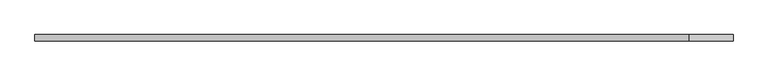
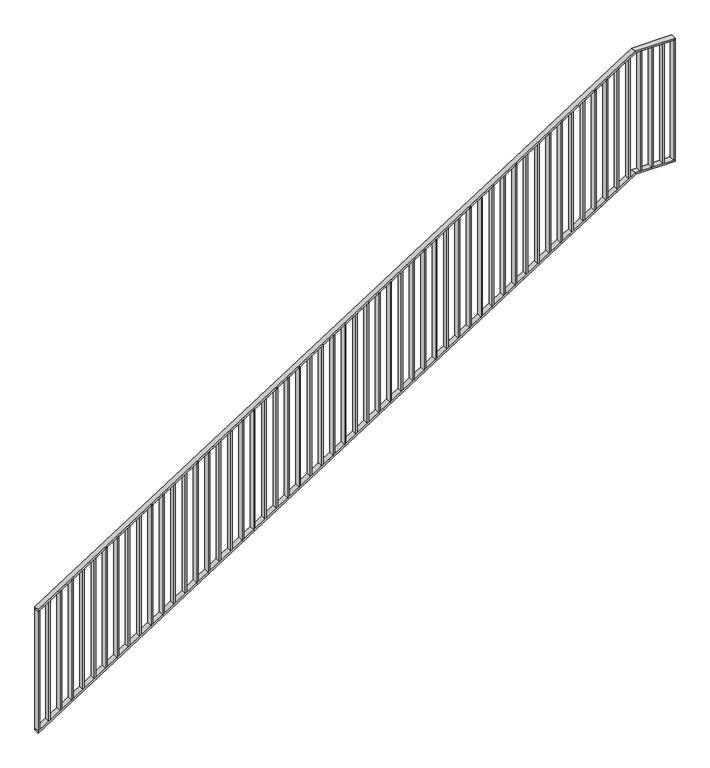
"""IFC4 building model written with IfcOpenShell, lengths in millimetres: railing geometry."""

import ifcopenshell
import ifcopenshell.guid

model = None  # the IFC model being written
_history = None  # IfcOwnerHistory: only IFC2X3 demands one
_inside = {}  # id of a spatial element -> (the spatial element, [elements in it])
_under = {}  # id of a project, library or spatial element -> (it, [spatial elements below it])
_declared = {}  # id of a project -> (the project, [libraries it declares])
_typed = {}  # id of a type object -> (the type object, [elements of that type])
_made_of = {}  # id of a material, layer set ... -> (it, [elements and type objects made of it])


def new_model(schema):
    """Start an empty IFC model of exactly this schema.

    Asked for "IFC4X3", IfcOpenShell would pick the latest addendum, in which some entities
    have other attributes; the version numbers below select the first issue.
    IFC2X3 requires an IfcOwnerHistory on every rooted entity: one is made here for all.
    """
    global model, _history
    if schema == "IFC4X3":
        model = ifcopenshell.file(schema_version=(4, 3, 0, 0))
    else:
        model = ifcopenshell.file(schema=schema)
    _inside.clear()
    _under.clear()
    _declared.clear()
    _typed.clear()
    _made_of.clear()
    _history = None
    if model.schema == "IFC2X3":
        org = make("IfcOrganization", Name="unknown")
        user = make(
            "IfcPersonAndOrganization",
            ThePerson=make("IfcPerson", FamilyName="unknown"),
            TheOrganization=org,
        )
        app = make(
            "IfcApplication",
            ApplicationDeveloper=org,
            Version="unknown",
            ApplicationFullName="unknown",
            ApplicationIdentifier="unknown",
        )
        _history = make(
            "IfcOwnerHistory",
            OwningUser=user,
            OwningApplication=app,
            ChangeAction="ADDED",
            CreationDate=0,
        )
    return model


def make(cls, **values):
    """One entity of the class cls with the attributes given. An attribute that is None is left unset."""
    return model.create_entity(
        cls, **{name: value for name, value in values.items() if value is not None}
    )


def rooted(cls, **values):
    """An entity with a GlobalId (a new one), such as an element, a storey or a relation."""
    return make(cls, GlobalId=ifcopenshell.guid.new(), OwnerHistory=_history, **values)


def si_unit(unit_type, name, prefix=None):
    """IfcSIUnit, for example si_unit("LENGTHUNIT", "METRE", prefix="MILLI")."""
    return make("IfcSIUnit", UnitType=unit_type, Prefix=prefix, Name=name)


def assignment(units):
    """IfcUnitAssignment: the units of a project."""
    return None if units is None else make("IfcUnitAssignment", Units=units)


def point(xyz):
    """IfcCartesianPoint."""
    return None if xyz is None else make("IfcCartesianPoint", Coordinates=xyz)


def direction(xyz):
    """IfcDirection."""
    return None if xyz is None else make("IfcDirection", DirectionRatios=xyz)


def frame(location, z_axis=None, x_axis=None):
    """IfcAxis2Placement3D, a coordinate frame: its origin and axes. An axis left out is left unset."""
    return make(
        "IfcAxis2Placement3D",
        Location=point(location),
        Axis=direction(z_axis),
        RefDirection=direction(x_axis),
    )


def origin():
    """The frame at (0, 0, 0) with its axes left unset."""
    return frame((0.0, 0.0, 0.0))


def place(relative_to, where):
    """IfcLocalPlacement: puts the frame where relative to a parent placement (None: the world)."""
    return make(
        "IfcLocalPlacement", PlacementRelTo=relative_to, RelativePlacement=where
    )


def context(
    kind, dimensions, precision=None, world=None, true_north=None, identifier=None
):
    """IfcGeometricRepresentationContext, for example the 3D "Model" context."""
    return make(
        "IfcGeometricRepresentationContext",
        ContextIdentifier=identifier,
        ContextType=kind,
        CoordinateSpaceDimension=dimensions,
        Precision=precision,
        WorldCoordinateSystem=world,
        TrueNorth=true_north,
    )


def project(units=None, contexts=None):
    """IfcProject with its units and contexts."""
    return rooted(
        "IfcProject",
        Name="project",
        RepresentationContexts=contexts,
        UnitsInContext=assignment(units),
    )


def spatial(cls, under=None, at=None, **own):
    """A site, building, storey or space (cls), placed at a placement, below another one or the project."""
    s = rooted(cls, ObjectPlacement=at, **own)
    if under is not None:
        _under.setdefault(under.id(), (under, []))[1].append(s)
    return s


def polyline(points):
    """IfcPolyline through the points."""
    return make("IfcPolyline", Points=[point(p) for p in points])


def outline(outer, holes=None, kind="AREA"):
    """IfcArbitraryClosedProfileDef: a profile drawn as a closed curve; with holes, ...WithVoids."""
    if holes is None:
        return make("IfcArbitraryClosedProfileDef", ProfileType=kind, OuterCurve=outer)
    return make(
        "IfcArbitraryProfileDefWithVoids",
        ProfileType=kind,
        OuterCurve=outer,
        InnerCurves=holes,
    )


def extrude(swept, where, along, depth):
    """IfcExtrudedAreaSolid: the profile swept, set in the frame where, extruded along a direction by depth."""
    return make(
        "IfcExtrudedAreaSolid",
        SweptArea=swept,
        Position=where,
        ExtrudedDirection=direction(along),
        Depth=depth,
    )


def faces_of(points, faces, orient=None, outer=None):
    """IfcFace entities. A face is a list of loops; a loop is a list of indices into points, from 0.

    orient and outer hold one flag for each loop. By default every Orientation is true, the
    first loop of a face is its IfcFaceOuterBound and the others are IfcFaceBound.
    """
    made = []
    for i, loops in enumerate(faces):
        bounds = []
        for j, loop in enumerate(loops):
            is_outer = j == 0 if outer is None else outer[i][j]
            bounds.append(
                make(
                    "IfcFaceOuterBound" if is_outer else "IfcFaceBound",
                    Bound=make("IfcPolyLoop", Polygon=[points[k] for k in loop]),
                    Orientation=True if orient is None else orient[i][j],
                )
            )
        made.append(make("IfcFace", Bounds=bounds))
    return made


def faceted_brep(points, faces, orient=None, outer=None, voids=None):
    """IfcFacetedBrep: a solid bounded by flat faces; with voids (closed shells), ...WithVoids."""
    shared = [point(p) for p in points]
    hull = make("IfcClosedShell", CfsFaces=faces_of(shared, faces, orient, outer))
    if voids is None:
        return make("IfcFacetedBrep", Outer=hull)
    return make(
        "IfcFacetedBrepWithVoids",
        Outer=hull,
        Voids=[
            make(cls, CfsFaces=faces_of(shared, fs, o, b)) for cls, fs, o, b in voids
        ],
    )


def shape(context_of_items, identifier, shape_type, items):
    """IfcShapeRepresentation: the items that make up one representation, for example the "Body"."""
    return make(
        "IfcShapeRepresentation",
        ContextOfItems=context_of_items,
        RepresentationIdentifier=identifier,
        RepresentationType=shape_type,
        Items=items,
    )


def source(mapping_origin, context_of_items, identifier, shape_type, items):
    """IfcRepresentationMap: a shape defined once, which mapped items show again and again."""
    return make(
        "IfcRepresentationMap",
        MappingOrigin=mapping_origin,
        MappedRepresentation=shape(context_of_items, identifier, shape_type, items),
    )


def transform(
    local_origin,
    x_axis=None,
    y_axis=None,
    z_axis=None,
    scale=None,
    scale2=None,
    scale3=None,
    uniform=True,
):
    """IfcCartesianTransformationOperator3D, or its non-uniform kind. x_axis, y_axis, z_axis: its Axis1, 2, 3."""
    if uniform:
        return make(
            "IfcCartesianTransformationOperator3D",
            Axis1=direction(x_axis),
            Axis2=direction(y_axis),
            LocalOrigin=point(local_origin),
            Scale=scale,
            Axis3=direction(z_axis),
        )
    return make(
        "IfcCartesianTransformationOperator3DnonUniform",
        Axis1=direction(x_axis),
        Axis2=direction(y_axis),
        LocalOrigin=point(local_origin),
        Scale=scale,
        Axis3=direction(z_axis),
        Scale2=scale2,
        Scale3=scale3,
    )


def mapped(mapping_source, mapping_target):
    """IfcMappedItem: shows the shape of a source again, moved by a transform."""
    return make(
        "IfcMappedItem", MappingSource=mapping_source, MappingTarget=mapping_target
    )


def made_of(thing, what):
    """Note that an element or type object is made of a material, layer set ...; save() writes the relation."""
    if what is not None:
        _made_of.setdefault(what.id(), (what, []))[1].append(thing)
    return thing


def element(
    cls,
    number,
    at=None,
    inside=None,
    cuts=None,
    type_object=None,
    material=None,
    context=None,
    identifier="Body",
    shape_type=None,
    held_by="IfcProductDefinitionShape",
    body=None,
    shapes=None,
    **own,
):
    """One element of the class cls, such as IfcWall. Its Tag is "e" and its number.

    at: its placement. inside: the storey or other place that contains it. cuts: it is an
    opening in that element (IfcRelVoidsElement). A single representation is given by context,
    identifier, shape_type and body (its items); several are given by shapes. held_by: the class
    of the entity that holds the representations. save() writes the other relations.
    """
    e = rooted(cls, Tag="e%d" % number, ObjectPlacement=at, **own)
    if body is not None:
        shapes = [shape(context, identifier, shape_type, body)]
    if shapes is not None:
        e.Representation = make(held_by, Representations=shapes)
    if inside is not None:
        _inside.setdefault(inside.id(), (inside, []))[1].append(e)
    if cuts is not None:
        rooted(
            "IfcRelVoidsElement", RelatingBuildingElement=cuts, RelatedOpeningElement=e
        )
    if type_object is not None:
        _typed.setdefault(type_object.id(), (type_object, []))[1].append(e)
    return made_of(e, material)


def aggregate(whole, parts):
    """IfcRelAggregates: a whole, such as a stair, and the parts it consists of."""
    return rooted("IfcRelAggregates", RelatingObject=whole, RelatedObjects=parts)


def save(model, path):
    """Write the relations noted so far, then the file.

    IfcRelAggregates (storeys below a building ...), IfcRelContainedInSpatialStructure (elements
    in a storey), IfcRelDefinesByType, IfcRelAssociatesMaterial and IfcRelDeclares: one each for
    every whole, place, type object, material and project.
    """
    for whole, parts in _under.values():
        aggregate(whole, parts)
    for where, things in _inside.values():
        rooted(
            "IfcRelContainedInSpatialStructure",
            RelatedElements=things,
            RelatingStructure=where,
        )
    for kind, things in _typed.values():
        rooted("IfcRelDefinesByType", RelatedObjects=things, RelatingType=kind)
    for what, things in _made_of.values():
        rooted("IfcRelAssociatesMaterial", RelatedObjects=things, RelatingMaterial=what)
    for by, libraries in _declared.values():
        rooted("IfcRelDeclares", RelatingContext=by, RelatedDefinitions=libraries)
    model.write(path)


def railing_4086d96a(model_context):
    return source(origin(), model_context, "Body", "SolidModel", [
        faceted_brep([(10020.0, 1014.6, 1178.125), (10020.0, 1014.6, 1166.2576574), (10020.0, 974.6, 1166.2576574), (10020.0, 974.6, 1178.125), (14201.25, 1014.6, 3850.0), (14204.1722273, 1014.6, 3840.0), (14204.1722273, 974.6, 3840.0), (14201.25, 974.6, 3850.0), (14480.0, 1014.6, 3850.0), (14480.0, 974.6, 3850.0), (14480.0, 974.6, 3840.0), (14480.0, 1014.6, 3840.0)], [[[0, 1, 2, 3]], [[1, 0, 4, 5]], [[2, 1, 5, 6]], [[3, 2, 6, 7]], [[0, 3, 7, 4]], [[8, 9, 10, 11]], [[5, 4, 8, 11]], [[6, 5, 11, 10]], [[7, 6, 10, 9]], [[4, 7, 9, 8]]]),
        faceted_brep([(10020.0, 1014.6, 278.125), (10020.0, 1014.6, 266.2576574), (10020.0, 974.6, 266.2576574), (10020.0, 974.6, 278.125), (14201.25, 1014.6, 2950.0), (14204.1722273, 1014.6, 2940.0), (14204.1722273, 974.6, 2940.0), (14201.25, 974.6, 2950.0), (14480.0, 1014.6, 2950.0), (14480.0, 974.6, 2950.0), (14480.0, 974.6, 2940.0), (14480.0, 1014.6, 2940.0)], [[[0, 1, 2, 3]], [[1, 0, 4, 5]], [[2, 1, 5, 6]], [[3, 2, 6, 7]], [[0, 3, 7, 4]], [[8, 9, 10, 11]], [[5, 4, 8, 11]], [[6, 5, 11, 10]], [[7, 6, 10, 9]], [[4, 7, 9, 8]]]),
        extrude(outline(polyline([(14395.3571429, 1014.6), (14405.3571429, 1014.6), (14405.3571429, 974.6), (14395.3571429, 974.6), (14395.3571429, 1014.6)])), frame((0.0, 0.0, 2950.0), z_axis=(0.0, 0.0, 1.0), x_axis=(1.0, 0.0, 0.0)), (0.0, 0.0, 1.0), 890.0),
        extrude(outline(polyline([(14315.7142857, 1014.6), (14325.7142857, 1014.6), (14325.7142857, 974.6), (14315.7142857, 974.6), (14315.7142857, 1014.6)])), frame((0.0, 0.0, 2950.0), z_axis=(0.0, 0.0, 1.0), x_axis=(1.0, 0.0, 0.0)), (0.0, 0.0, 1.0), 890.0),
        extrude(outline(polyline([(14236.0714286, 1014.6), (14246.0714286, 1014.6), (14246.0714286, 974.6), (14236.0714286, 974.6), (14236.0714286, 1014.6)])), frame((0.0, 0.0, 2950.0), z_axis=(0.0, 0.0, 1.0), x_axis=(1.0, 0.0, 0.0)), (0.0, 0.0, 1.0), 890.0),
        extrude(outline(polyline([(2921.3585042, 14156.4285714), (2927.7486387, 14166.4285714), (3817.7486387, 14166.4285714), (3811.3585042, 14156.4285714), (2921.3585042, 14156.4285714)])), frame((0.0, 974.6, 0.0), z_axis=(0.0, 1.0, 0.0), x_axis=(0.0, 0.0, 1.0)), (0.0, 0.0, 1.0), 40.0),
        extrude(outline(polyline([(2870.465647, 14076.7857143), (2876.8557816, 14086.7857143), (3766.8557816, 14086.7857143), (3760.465647, 14076.7857143), (2870.465647, 14076.7857143)])), frame((0.0, 974.6, 0.0), z_axis=(0.0, 1.0, 0.0), x_axis=(0.0, 0.0, 1.0)), (0.0, 0.0, 1.0), 40.0),
        extrude(outline(polyline([(2819.5727899, 13997.1428571), (2825.9629244, 14007.1428571), (3715.9629244, 14007.1428571), (3709.5727899, 13997.1428571), (2819.5727899, 13997.1428571)])), frame((0.0, 974.6, 0.0), z_axis=(0.0, 1.0, 0.0), x_axis=(0.0, 0.0, 1.0)), (0.0, 0.0, 1.0), 40.0),
        extrude(outline(polyline([(2768.6799327, 13917.5), (2775.0700673, 13927.5), (3665.0700673, 13927.5), (3658.6799327, 13917.5), (2768.6799327, 13917.5)])), frame((0.0, 974.6, 0.0), z_axis=(0.0, 1.0, 0.0), x_axis=(0.0, 0.0, 1.0)), (0.0, 0.0, 1.0), 40.0),
        extrude(outline(polyline([(2717.7870756, 13837.8571429), (2724.1772101, 13847.8571429), (3614.1772101, 13847.8571429), (3607.7870756, 13837.8571429), (2717.7870756, 13837.8571429)])), frame((0.0, 974.6, 0.0), z_axis=(0.0, 1.0, 0.0), x_axis=(0.0, 0.0, 1.0)), (0.0, 0.0, 1.0), 40.0),
        extrude(outline(polyline([(2666.8942184, 13758.2142857), (2673.284353, 13768.2142857), (3563.284353, 13768.2142857), (3556.8942184, 13758.2142857), (2666.8942184, 13758.2142857)])), frame((0.0, 974.6, 0.0), z_axis=(0.0, 1.0, 0.0), x_axis=(0.0, 0.0, 1.0)), (0.0, 0.0, 1.0), 40.0),
        extrude(outline(polyline([(2616.0013613, 13678.5714286), (2622.3914958, 13688.5714286), (3512.3914958, 13688.5714286), (3506.0013613, 13678.5714286), (2616.0013613, 13678.5714286)])), frame((0.0, 974.6, 0.0), z_axis=(0.0, 1.0, 0.0), x_axis=(0.0, 0.0, 1.0)), (0.0, 0.0, 1.0), 40.0),
        extrude(outline(polyline([(2565.1085042, 13598.9285714), (2571.4986387, 13608.9285714), (3461.4986387, 13608.9285714), (3455.1085042, 13598.9285714), (2565.1085042, 13598.9285714)])), frame((0.0, 974.6, 0.0), z_axis=(0.0, 1.0, 0.0), x_axis=(0.0, 0.0, 1.0)), (0.0, 0.0, 1.0), 40.0),
        extrude(outline(polyline([(2514.215647, 13519.2857143), (2520.6057816, 13529.2857143), (3410.6057816, 13529.2857143), (3404.215647, 13519.2857143), (2514.215647, 13519.2857143)])), frame((0.0, 974.6, 0.0), z_axis=(0.0, 1.0, 0.0), x_axis=(0.0, 0.0, 1.0)), (0.0, 0.0, 1.0), 40.0),
        extrude(outline(polyline([(2463.3227899, 13439.6428571), (2469.7129244, 13449.6428571), (3359.7129244, 13449.6428571), (3353.3227899, 13439.6428571), (2463.3227899, 13439.6428571)])), frame((0.0, 974.6, 0.0), z_axis=(0.0, 1.0, 0.0), x_axis=(0.0, 0.0, 1.0)), (0.0, 0.0, 1.0), 40.0),
        extrude(outline(polyline([(2412.4299327, 13360.0), (2418.8200673, 13370.0), (3308.8200673, 13370.0), (3302.4299327, 13360.0), (2412.4299327, 13360.0)])), frame((0.0, 974.6, 0.0), z_axis=(0.0, 1.0, 0.0), x_axis=(0.0, 0.0, 1.0)), (0.0, 0.0, 1.0), 40.0),
        extrude(outline(polyline([(2361.5370756, 13280.3571429), (2367.9272101, 13290.3571429), (3257.9272101, 13290.3571429), (3251.5370756, 13280.3571429), (2361.5370756, 13280.3571429)])), frame((0.0, 974.6, 0.0), z_axis=(0.0, 1.0, 0.0), x_axis=(0.0, 0.0, 1.0)), (0.0, 0.0, 1.0), 40.0),
        extrude(outline(polyline([(2310.6442184, 13200.7142857), (2317.034353, 13210.7142857), (3207.034353, 13210.7142857), (3200.6442184, 13200.7142857), (2310.6442184, 13200.7142857)])), frame((0.0, 974.6, 0.0), z_axis=(0.0, 1.0, 0.0), x_axis=(0.0, 0.0, 1.0)), (0.0, 0.0, 1.0), 40.0),
        extrude(outline(polyline([(2259.7513613, 13121.0714286), (2266.1414958, 13131.0714286), (3156.1414958, 13131.0714286), (3149.7513613, 13121.0714286), (2259.7513613, 13121.0714286)])), frame((0.0, 974.6, 0.0), z_axis=(0.0, 1.0, 0.0), x_axis=(0.0, 0.0, 1.0)), (0.0, 0.0, 1.0), 40.0),
        extrude(outline(polyline([(2208.8585042, 13041.4285714), (2215.2486387, 13051.4285714), (3105.2486387, 13051.4285714), (3098.8585042, 13041.4285714), (2208.8585042, 13041.4285714)])), frame((0.0, 974.6, 0.0), z_axis=(0.0, 1.0, 0.0), x_axis=(0.0, 0.0, 1.0)), (0.0, 0.0, 1.0), 40.0),
        extrude(outline(polyline([(2157.965647, 12961.7857143), (2164.3557816, 12971.7857143), (3054.3557816, 12971.7857143), (3047.965647, 12961.7857143), (2157.965647, 12961.7857143)])), frame((0.0, 974.6, 0.0), z_axis=(0.0, 1.0, 0.0), x_axis=(0.0, 0.0, 1.0)), (0.0, 0.0, 1.0), 40.0),
        extrude(outline(polyline([(2107.0727899, 12882.1428571), (2113.4629244, 12892.1428571), (3003.4629244, 12892.1428571), (2997.0727899, 12882.1428571), (2107.0727899, 12882.1428571)])), frame((0.0, 974.6, 0.0), z_axis=(0.0, 1.0, 0.0), x_axis=(0.0, 0.0, 1.0)), (0.0, 0.0, 1.0), 40.0),
        extrude(outline(polyline([(2056.1799327, 12802.5), (2062.5700673, 12812.5), (2952.5700673, 12812.5), (2946.1799327, 12802.5), (2056.1799327, 12802.5)])), frame((0.0, 974.6, 0.0), z_axis=(0.0, 1.0, 0.0), x_axis=(0.0, 0.0, 1.0)), (0.0, 0.0, 1.0), 40.0),
        extrude(outline(polyline([(2005.2870756, 12722.8571429), (2011.6772101, 12732.8571429), (2901.6772101, 12732.8571429), (2895.2870756, 12722.8571429), (2005.2870756, 12722.8571429)])), frame((0.0, 974.6, 0.0), z_axis=(0.0, 1.0, 0.0), x_axis=(0.0, 0.0, 1.0)), (0.0, 0.0, 1.0), 40.0),
        extrude(outline(polyline([(1954.3942184, 12643.2142857), (1960.784353, 12653.2142857), (2850.784353, 12653.2142857), (2844.3942184, 12643.2142857), (1954.3942184, 12643.2142857)])), frame((0.0, 974.6, 0.0), z_axis=(0.0, 1.0, 0.0), x_axis=(0.0, 0.0, 1.0)), (0.0, 0.0, 1.0), 40.0),
        extrude(outline(polyline([(1903.5013613, 12563.5714286), (1909.8914958, 12573.5714286), (2799.8914958, 12573.5714286), (2793.5013613, 12563.5714286), (1903.5013613, 12563.5714286)])), frame((0.0, 974.6, 0.0), z_axis=(0.0, 1.0, 0.0), x_axis=(0.0, 0.0, 1.0)), (0.0, 0.0, 1.0), 40.0),
        extrude(outline(polyline([(1852.6085042, 12483.9285714), (1858.9986387, 12493.9285714), (2748.9986387, 12493.9285714), (2742.6085042, 12483.9285714), (1852.6085042, 12483.9285714)])), frame((0.0, 974.6, 0.0), z_axis=(0.0, 1.0, 0.0), x_axis=(0.0, 0.0, 1.0)), (0.0, 0.0, 1.0), 40.0),
        extrude(outline(polyline([(1801.715647, 12404.2857143), (1808.1057816, 12414.2857143), (2698.1057816, 12414.2857143), (2691.715647, 12404.2857143), (1801.715647, 12404.2857143)])), frame((0.0, 974.6, 0.0), z_axis=(0.0, 1.0, 0.0), x_axis=(0.0, 0.0, 1.0)), (0.0, 0.0, 1.0), 40.0),
        extrude(outline(polyline([(1750.8227899, 12324.6428571), (1757.2129244, 12334.6428571), (2647.2129244, 12334.6428571), (2640.8227899, 12324.6428571), (1750.8227899, 12324.6428571)])), frame((0.0, 974.6, 0.0), z_axis=(0.0, 1.0, 0.0), x_axis=(0.0, 0.0, 1.0)), (0.0, 0.0, 1.0), 40.0),
        extrude(outline(polyline([(1699.9299327, 12245.0), (1706.3200673, 12255.0), (2596.3200673, 12255.0), (2589.9299327, 12245.0), (1699.9299327, 12245.0)])), frame((0.0, 974.6, 0.0), z_axis=(0.0, 1.0, 0.0), x_axis=(0.0, 0.0, 1.0)), (0.0, 0.0, 1.0), 40.0),
        extrude(outline(polyline([(1649.0370756, 12165.3571429), (1655.4272101, 12175.3571429), (2545.4272101, 12175.3571429), (2539.0370756, 12165.3571429), (1649.0370756, 12165.3571429)])), frame((0.0, 974.6, 0.0), z_axis=(0.0, 1.0, 0.0), x_axis=(0.0, 0.0, 1.0)), (0.0, 0.0, 1.0), 40.0),
        extrude(outline(polyline([(1598.1442184, 12085.7142857), (1604.534353, 12095.7142857), (2494.534353, 12095.7142857), (2488.1442184, 12085.7142857), (1598.1442184, 12085.7142857)])), frame((0.0, 974.6, 0.0), z_axis=(0.0, 1.0, 0.0), x_axis=(0.0, 0.0, 1.0)), (0.0, 0.0, 1.0), 40.0),
        extrude(outline(polyline([(1547.2513613, 12006.0714286), (1553.6414958, 12016.0714286), (2443.6414958, 12016.0714286), (2437.2513613, 12006.0714286), (1547.2513613, 12006.0714286)])), frame((0.0, 974.6, 0.0), z_axis=(0.0, 1.0, 0.0), x_axis=(0.0, 0.0, 1.0)), (0.0, 0.0, 1.0), 40.0),
        extrude(outline(polyline([(1496.3585042, 11926.4285714), (1502.7486387, 11936.4285714), (2392.7486387, 11936.4285714), (2386.3585042, 11926.4285714), (1496.3585042, 11926.4285714)])), frame((0.0, 974.6, 0.0), z_axis=(0.0, 1.0, 0.0), x_axis=(0.0, 0.0, 1.0)), (0.0, 0.0, 1.0), 40.0),
        extrude(outline(polyline([(1445.465647, 11846.7857143), (1451.8557816, 11856.7857143), (2341.8557816, 11856.7857143), (2335.465647, 11846.7857143), (1445.465647, 11846.7857143)])), frame((0.0, 974.6, 0.0), z_axis=(0.0, 1.0, 0.0), x_axis=(0.0, 0.0, 1.0)), (0.0, 0.0, 1.0), 40.0),
        extrude(outline(polyline([(1394.5727899, 11767.1428571), (1400.9629244, 11777.1428571), (2290.9629244, 11777.1428571), (2284.5727899, 11767.1428571), (1394.5727899, 11767.1428571)])), frame((0.0, 974.6, 0.0), z_axis=(0.0, 1.0, 0.0), x_axis=(0.0, 0.0, 1.0)), (0.0, 0.0, 1.0), 40.0),
        extrude(outline(polyline([(1343.6799327, 11687.5), (1350.0700673, 11697.5), (2240.0700673, 11697.5), (2233.6799327, 11687.5), (1343.6799327, 11687.5)])), frame((0.0, 974.6, 0.0), z_axis=(0.0, 1.0, 0.0), x_axis=(0.0, 0.0, 1.0)), (0.0, 0.0, 1.0), 40.0),
        extrude(outline(polyline([(1292.7870756, 11607.8571429), (1299.1772101, 11617.8571429), (2189.1772101, 11617.8571429), (2182.7870756, 11607.8571429), (1292.7870756, 11607.8571429)])), frame((0.0, 974.6, 0.0), z_axis=(0.0, 1.0, 0.0), x_axis=(0.0, 0.0, 1.0)), (0.0, 0.0, 1.0), 40.0),
        extrude(outline(polyline([(1241.8942184, 11528.2142857), (1248.284353, 11538.2142857), (2138.284353, 11538.2142857), (2131.8942184, 11528.2142857), (1241.8942184, 11528.2142857)])), frame((0.0, 974.6, 0.0), z_axis=(0.0, 1.0, 0.0), x_axis=(0.0, 0.0, 1.0)), (0.0, 0.0, 1.0), 40.0),
        extrude(outline(polyline([(1191.0013613, 11448.5714286), (1197.3914958, 11458.5714286), (2087.3914958, 11458.5714286), (2081.0013613, 11448.5714286), (1191.0013613, 11448.5714286)])), frame((0.0, 974.6, 0.0), z_axis=(0.0, 1.0, 0.0), x_axis=(0.0, 0.0, 1.0)), (0.0, 0.0, 1.0), 40.0),
        extrude(outline(polyline([(1140.1085042, 11368.9285714), (1146.4986387, 11378.9285714), (2036.4986387, 11378.9285714), (2030.1085042, 11368.9285714), (1140.1085042, 11368.9285714)])), frame((0.0, 974.6, 0.0), z_axis=(0.0, 1.0, 0.0), x_axis=(0.0, 0.0, 1.0)), (0.0, 0.0, 1.0), 40.0),
        extrude(outline(polyline([(1089.215647, 11289.2857143), (1095.6057816, 11299.2857143), (1985.6057816, 11299.2857143), (1979.215647, 11289.2857143), (1089.215647, 11289.2857143)])), frame((0.0, 974.6, 0.0), z_axis=(0.0, 1.0, 0.0), x_axis=(0.0, 0.0, 1.0)), (0.0, 0.0, 1.0), 40.0),
        extrude(outline(polyline([(1038.3227899, 11209.6428571), (1044.7129244, 11219.6428571), (1934.7129244, 11219.6428571), (1928.3227899, 11209.6428571), (1038.3227899, 11209.6428571)])), frame((0.0, 974.6, 0.0), z_axis=(0.0, 1.0, 0.0), x_axis=(0.0, 0.0, 1.0)), (0.0, 0.0, 1.0), 40.0),
        extrude(outline(polyline([(987.4299327, 11130.0), (993.8200673, 11140.0), (1883.8200673, 11140.0), (1877.4299327, 11130.0), (987.4299327, 11130.0)])), frame((0.0, 974.6, 0.0), z_axis=(0.0, 1.0, 0.0), x_axis=(0.0, 0.0, 1.0)), (0.0, 0.0, 1.0), 40.0),
        extrude(outline(polyline([(936.5370756, 11050.3571429), (942.9272101, 11060.3571429), (1832.9272101, 11060.3571429), (1826.5370756, 11050.3571429), (936.5370756, 11050.3571429)])), frame((0.0, 974.6, 0.0), z_axis=(0.0, 1.0, 0.0), x_axis=(0.0, 0.0, 1.0)), (0.0, 0.0, 1.0), 40.0),
        extrude(outline(polyline([(885.6442184, 10970.7142857), (892.034353, 10980.7142857), (1782.034353, 10980.7142857), (1775.6442184, 10970.7142857), (885.6442184, 10970.7142857)])), frame((0.0, 974.6, 0.0), z_axis=(0.0, 1.0, 0.0), x_axis=(0.0, 0.0, 1.0)), (0.0, 0.0, 1.0), 40.0),
        extrude(outline(polyline([(834.7513613, 10891.0714286), (841.1414958, 10901.0714286), (1731.1414958, 10901.0714286), (1724.7513613, 10891.0714286), (834.7513613, 10891.0714286)])), frame((0.0, 974.6, 0.0), z_axis=(0.0, 1.0, 0.0), x_axis=(0.0, 0.0, 1.0)), (0.0, 0.0, 1.0), 40.0),
        extrude(outline(polyline([(783.8585042, 10811.4285714), (790.2486387, 10821.4285714), (1680.2486387, 10821.4285714), (1673.8585042, 10811.4285714), (783.8585042, 10811.4285714)])), frame((0.0, 974.6, 0.0), z_axis=(0.0, 1.0, 0.0), x_axis=(0.0, 0.0, 1.0)), (0.0, 0.0, 1.0), 40.0),
        extrude(outline(polyline([(732.965647, 10731.7857143), (739.3557816, 10741.7857143), (1629.3557816, 10741.7857143), (1622.965647, 10731.7857143), (732.965647, 10731.7857143)])), frame((0.0, 974.6, 0.0), z_axis=(0.0, 1.0, 0.0), x_axis=(0.0, 0.0, 1.0)), (0.0, 0.0, 1.0), 40.0),
        extrude(outline(polyline([(682.0727899, 10652.1428571), (688.4629244, 10662.1428571), (1578.4629244, 10662.1428571), (1572.0727899, 10652.1428571), (682.0727899, 10652.1428571)])), frame((0.0, 974.6, 0.0), z_axis=(0.0, 1.0, 0.0), x_axis=(0.0, 0.0, 1.0)), (0.0, 0.0, 1.0), 40.0),
        extrude(outline(polyline([(631.1799327, 10572.5), (637.5700673, 10582.5), (1527.5700673, 10582.5), (1521.1799327, 10572.5), (631.1799327, 10572.5)])), frame((0.0, 974.6, 0.0), z_axis=(0.0, 1.0, 0.0), x_axis=(0.0, 0.0, 1.0)), (0.0, 0.0, 1.0), 40.0),
        extrude(outline(polyline([(580.2870756, 10492.8571429), (586.6772101, 10502.8571429), (1476.6772101, 10502.8571429), (1470.2870756, 10492.8571429), (580.2870756, 10492.8571429)])), frame((0.0, 974.6, 0.0), z_axis=(0.0, 1.0, 0.0), x_axis=(0.0, 0.0, 1.0)), (0.0, 0.0, 1.0), 40.0),
        extrude(outline(polyline([(529.3942184, 10413.2142857), (535.784353, 10423.2142857), (1425.784353, 10423.2142857), (1419.3942184, 10413.2142857), (529.3942184, 10413.2142857)])), frame((0.0, 974.6, 0.0), z_axis=(0.0, 1.0, 0.0), x_axis=(0.0, 0.0, 1.0)), (0.0, 0.0, 1.0), 40.0),
        extrude(outline(polyline([(478.5013613, 10333.5714286), (484.8914958, 10343.5714286), (1374.8914958, 10343.5714286), (1368.5013613, 10333.5714286), (478.5013613, 10333.5714286)])), frame((0.0, 974.6, 0.0), z_axis=(0.0, 1.0, 0.0), x_axis=(0.0, 0.0, 1.0)), (0.0, 0.0, 1.0), 40.0),
        extrude(outline(polyline([(427.6085042, 10253.9285714), (433.9986387, 10263.9285714), (1323.9986387, 10263.9285714), (1317.6085042, 10253.9285714), (427.6085042, 10253.9285714)])), frame((0.0, 974.6, 0.0), z_axis=(0.0, 1.0, 0.0), x_axis=(0.0, 0.0, 1.0)), (0.0, 0.0, 1.0), 40.0),
        extrude(outline(polyline([(376.715647, 10174.2857143), (383.1057816, 10184.2857143), (1273.1057816, 10184.2857143), (1266.715647, 10174.2857143), (376.715647, 10174.2857143)])), frame((0.0, 974.6, 0.0), z_axis=(0.0, 1.0, 0.0), x_axis=(0.0, 0.0, 1.0)), (0.0, 0.0, 1.0), 40.0),
        extrude(outline(polyline([(325.8227899, 10094.6428571), (332.2129244, 10104.6428571), (1222.2129244, 10104.6428571), (1215.8227899, 10094.6428571), (325.8227899, 10094.6428571)])), frame((0.0, 974.6, 0.0), z_axis=(0.0, 1.0, 0.0), x_axis=(0.0, 0.0, 1.0)), (0.0, 0.0, 1.0), 40.0),
        extrude(outline(polyline([(14470.0, 1014.6), (14480.0, 1014.6), (14480.0, 974.6), (14470.0, 974.6), (14470.0, 1014.6)])), frame((0.0, 0.0, 2950.0), z_axis=(0.0, 0.0, 1.0), x_axis=(1.0, 0.0, 0.0)), (0.0, 0.0, 1.0), 890.0),
        extrude(outline(polyline([(278.125, 10020.0), (284.5151345, 10030.0), (1174.5151345, 10030.0), (1168.125, 10020.0), (278.125, 10020.0)])), frame((0.0, 974.6, 0.0), z_axis=(0.0, 1.0, 0.0), x_axis=(0.0, 0.0, 1.0)), (0.0, 0.0, 1.0), 40.0),
    ])


if __name__ == "__main__":
    model = new_model("IFC4")
    model_context = context("Model", 3, world=origin())
    ifc_project = project(units=[si_unit("LENGTHUNIT", "METRE", prefix="MILLI")], contexts=[model_context])
    site = spatial("IfcSite", under=ifc_project)
    building = spatial("IfcBuilding", under=site)
    placement = place(None, origin())
    railing_shape = railing_4086d96a(model_context)
    element("IfcRailing", 1, at=placement, inside=building, context=model_context, shape_type="MappedRepresentation", body=[
        mapped(railing_shape, transform((0.0, 0.0, 0.0), x_axis=(1.0, 0.0, 0.0), y_axis=(0.0, 1.0, 0.0), z_axis=(0.0, 0.0, 1.0))),
    ])
    save(model, "model.ifc")
